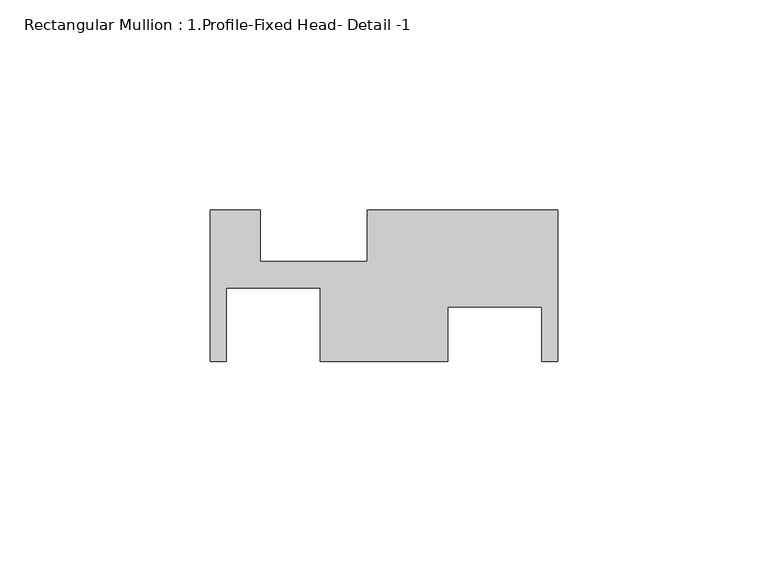
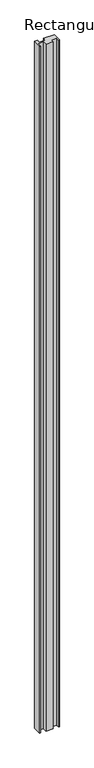
"""IFC4 building model written with IfcOpenShell, lengths in millimetres: member geometry, Rectangular Mullion : 1.Profile-Fixed Head- Detail -1."""

from ifc_helpers import new_model, si_unit, frame, origin, place, context, project, spatial, polyline, outline, extrude, source, transform, mapped, element, save


def rectangular_mullion_1_profile_fixed_head_detail_1_05c14cbb(model_context):
    return source(origin(), model_context, "Body", "SweptSolid", [
        extrude(outline(polyline([(-82.55, -18.3532671), (-82.55, 17.6385329), (-70.7136, 17.6385329), (-70.7136, 5.4211329), (-45.3136, 5.4211329), (-45.3136, 17.6385329), (0.0, 17.6385329), (0.0, -18.3532671), (-3.7338, -18.3532671), (-3.7338, -5.4246671), (-26.1112, -5.4246671), (-26.1112, -18.3532567), (-56.4388, -18.3532567), (-56.4388, -0.9288671), (-78.8162, -0.9288671), (-78.8162, -18.3532671), (-82.55, -18.3532671)])), frame((0.0, 0.0, -3048.0), z_axis=(0.0, 0.0, 1.0), x_axis=(1.0, 0.0, 0.0)), (0.0, 0.0, 1.0), 3048.0),
    ])


if __name__ == "__main__":
    model = new_model("IFC4")
    model_context = context("Model", 3, world=origin())
    ifc_project = project(units=[si_unit("LENGTHUNIT", "METRE", prefix="MILLI")], contexts=[model_context])
    site = spatial("IfcSite", under=ifc_project)
    building = spatial("IfcBuilding", under=site)
    placement = place(None, origin())
    rectangular_mullion_1_profile_fixed_head_detail_1_shape = rectangular_mullion_1_profile_fixed_head_detail_1_05c14cbb(model_context)
    element("IfcMember", 1, ObjectType="Rectangular Mullion : 1.Profile-Fixed Head- Detail -1", at=placement, inside=building, context=model_context, shape_type="MappedRepresentation", body=[
        mapped(rectangular_mullion_1_profile_fixed_head_detail_1_shape, transform((0.0, 0.0, 0.0), x_axis=(1.0, 0.0, 0.0), y_axis=(0.0, 1.0, 0.0), z_axis=(0.0, 0.0, 1.0))),
    ])
    save(model, "model.ifc")
